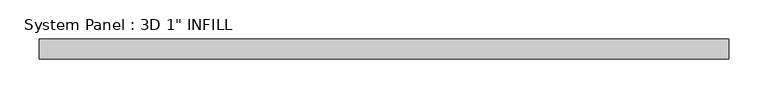
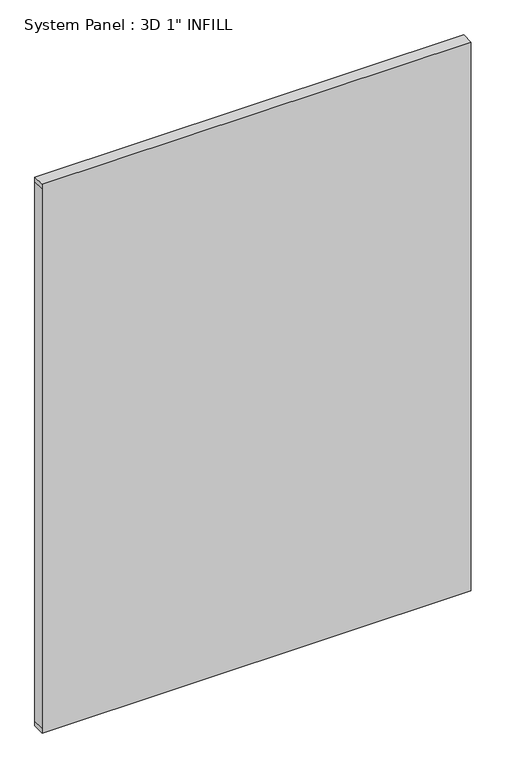
"""IFC4 building model written with IfcOpenShell, lengths in millimetres: plate geometry."""

import ifcopenshell
import ifcopenshell.guid

model = None  # the IFC model being written
_history = None  # IfcOwnerHistory: only IFC2X3 demands one
_inside = {}  # id of a spatial element -> (the spatial element, [elements in it])
_under = {}  # id of a project, library or spatial element -> (it, [spatial elements below it])
_declared = {}  # id of a project -> (the project, [libraries it declares])
_typed = {}  # id of a type object -> (the type object, [elements of that type])
_made_of = {}  # id of a material, layer set ... -> (it, [elements and type objects made of it])


def new_model(schema):
    """Start an empty IFC model of exactly this schema.

    Asked for "IFC4X3", IfcOpenShell would pick the latest addendum, in which some entities
    have other attributes; the version numbers below select the first issue.
    IFC2X3 requires an IfcOwnerHistory on every rooted entity: one is made here for all.
    """
    global model, _history
    if schema == "IFC4X3":
        model = ifcopenshell.file(schema_version=(4, 3, 0, 0))
    else:
        model = ifcopenshell.file(schema=schema)
    _inside.clear()
    _under.clear()
    _declared.clear()
    _typed.clear()
    _made_of.clear()
    _history = None
    if model.schema == "IFC2X3":
        org = make("IfcOrganization", Name="unknown")
        user = make(
            "IfcPersonAndOrganization",
            ThePerson=make("IfcPerson", FamilyName="unknown"),
            TheOrganization=org,
        )
        app = make(
            "IfcApplication",
            ApplicationDeveloper=org,
            Version="unknown",
            ApplicationFullName="unknown",
            ApplicationIdentifier="unknown",
        )
        _history = make(
            "IfcOwnerHistory",
            OwningUser=user,
            OwningApplication=app,
            ChangeAction="ADDED",
            CreationDate=0,
        )
    return model


def make(cls, **values):
    """One entity of the class cls with the attributes given. An attribute that is None is left unset."""
    return model.create_entity(
        cls, **{name: value for name, value in values.items() if value is not None}
    )


def rooted(cls, **values):
    """An entity with a GlobalId (a new one), such as an element, a storey or a relation."""
    return make(cls, GlobalId=ifcopenshell.guid.new(), OwnerHistory=_history, **values)


def si_unit(unit_type, name, prefix=None):
    """IfcSIUnit, for example si_unit("LENGTHUNIT", "METRE", prefix="MILLI")."""
    return make("IfcSIUnit", UnitType=unit_type, Prefix=prefix, Name=name)


def assignment(units):
    """IfcUnitAssignment: the units of a project."""
    return None if units is None else make("IfcUnitAssignment", Units=units)


def point(xyz):
    """IfcCartesianPoint."""
    return None if xyz is None else make("IfcCartesianPoint", Coordinates=xyz)


def direction(xyz):
    """IfcDirection."""
    return None if xyz is None else make("IfcDirection", DirectionRatios=xyz)


def frame(location, z_axis=None, x_axis=None):
    """IfcAxis2Placement3D, a coordinate frame: its origin and axes. An axis left out is left unset."""
    return make(
        "IfcAxis2Placement3D",
        Location=point(location),
        Axis=direction(z_axis),
        RefDirection=direction(x_axis),
    )


def origin():
    """The frame at (0, 0, 0) with its axes left unset."""
    return frame((0.0, 0.0, 0.0))


def place(relative_to, where):
    """IfcLocalPlacement: puts the frame where relative to a parent placement (None: the world)."""
    return make(
        "IfcLocalPlacement", PlacementRelTo=relative_to, RelativePlacement=where
    )


def context(
    kind, dimensions, precision=None, world=None, true_north=None, identifier=None
):
    """IfcGeometricRepresentationContext, for example the 3D "Model" context."""
    return make(
        "IfcGeometricRepresentationContext",
        ContextIdentifier=identifier,
        ContextType=kind,
        CoordinateSpaceDimension=dimensions,
        Precision=precision,
        WorldCoordinateSystem=world,
        TrueNorth=true_north,
    )


def project(units=None, contexts=None):
    """IfcProject with its units and contexts."""
    return rooted(
        "IfcProject",
        Name="project",
        RepresentationContexts=contexts,
        UnitsInContext=assignment(units),
    )


def spatial(cls, under=None, at=None, **own):
    """A site, building, storey or space (cls), placed at a placement, below another one or the project."""
    s = rooted(cls, ObjectPlacement=at, **own)
    if under is not None:
        _under.setdefault(under.id(), (under, []))[1].append(s)
    return s


def polyline(points):
    """IfcPolyline through the points."""
    return make("IfcPolyline", Points=[point(p) for p in points])


def outline(outer, holes=None, kind="AREA"):
    """IfcArbitraryClosedProfileDef: a profile drawn as a closed curve; with holes, ...WithVoids."""
    if holes is None:
        return make("IfcArbitraryClosedProfileDef", ProfileType=kind, OuterCurve=outer)
    return make(
        "IfcArbitraryProfileDefWithVoids",
        ProfileType=kind,
        OuterCurve=outer,
        InnerCurves=holes,
    )


def extrude(swept, where, along, depth):
    """IfcExtrudedAreaSolid: the profile swept, set in the frame where, extruded along a direction by depth."""
    return make(
        "IfcExtrudedAreaSolid",
        SweptArea=swept,
        Position=where,
        ExtrudedDirection=direction(along),
        Depth=depth,
    )


def shape(context_of_items, identifier, shape_type, items):
    """IfcShapeRepresentation: the items that make up one representation, for example the "Body"."""
    return make(
        "IfcShapeRepresentation",
        ContextOfItems=context_of_items,
        RepresentationIdentifier=identifier,
        RepresentationType=shape_type,
        Items=items,
    )


def source(mapping_origin, context_of_items, identifier, shape_type, items):
    """IfcRepresentationMap: a shape defined once, which mapped items show again and again."""
    return make(
        "IfcRepresentationMap",
        MappingOrigin=mapping_origin,
        MappedRepresentation=shape(context_of_items, identifier, shape_type, items),
    )


def transform(
    local_origin,
    x_axis=None,
    y_axis=None,
    z_axis=None,
    scale=None,
    scale2=None,
    scale3=None,
    uniform=True,
):
    """IfcCartesianTransformationOperator3D, or its non-uniform kind. x_axis, y_axis, z_axis: its Axis1, 2, 3."""
    if uniform:
        return make(
            "IfcCartesianTransformationOperator3D",
            Axis1=direction(x_axis),
            Axis2=direction(y_axis),
            LocalOrigin=point(local_origin),
            Scale=scale,
            Axis3=direction(z_axis),
        )
    return make(
        "IfcCartesianTransformationOperator3DnonUniform",
        Axis1=direction(x_axis),
        Axis2=direction(y_axis),
        LocalOrigin=point(local_origin),
        Scale=scale,
        Axis3=direction(z_axis),
        Scale2=scale2,
        Scale3=scale3,
    )


def mapped(mapping_source, mapping_target):
    """IfcMappedItem: shows the shape of a source again, moved by a transform."""
    return make(
        "IfcMappedItem", MappingSource=mapping_source, MappingTarget=mapping_target
    )


def made_of(thing, what):
    """Note that an element or type object is made of a material, layer set ...; save() writes the relation."""
    if what is not None:
        _made_of.setdefault(what.id(), (what, []))[1].append(thing)
    return thing


def element(
    cls,
    number,
    at=None,
    inside=None,
    cuts=None,
    type_object=None,
    material=None,
    context=None,
    identifier="Body",
    shape_type=None,
    held_by="IfcProductDefinitionShape",
    body=None,
    shapes=None,
    **own,
):
    """One element of the class cls, such as IfcWall. Its Tag is "e" and its number.

    at: its placement. inside: the storey or other place that contains it. cuts: it is an
    opening in that element (IfcRelVoidsElement). A single representation is given by context,
    identifier, shape_type and body (its items); several are given by shapes. held_by: the class
    of the entity that holds the representations. save() writes the other relations.
    """
    e = rooted(cls, Tag="e%d" % number, ObjectPlacement=at, **own)
    if body is not None:
        shapes = [shape(context, identifier, shape_type, body)]
    if shapes is not None:
        e.Representation = make(held_by, Representations=shapes)
    if inside is not None:
        _inside.setdefault(inside.id(), (inside, []))[1].append(e)
    if cuts is not None:
        rooted(
            "IfcRelVoidsElement", RelatingBuildingElement=cuts, RelatedOpeningElement=e
        )
    if type_object is not None:
        _typed.setdefault(type_object.id(), (type_object, []))[1].append(e)
    return made_of(e, material)


def aggregate(whole, parts):
    """IfcRelAggregates: a whole, such as a stair, and the parts it consists of."""
    return rooted("IfcRelAggregates", RelatingObject=whole, RelatedObjects=parts)


def save(model, path):
    """Write the relations noted so far, then the file.

    IfcRelAggregates (storeys below a building ...), IfcRelContainedInSpatialStructure (elements
    in a storey), IfcRelDefinesByType, IfcRelAssociatesMaterial and IfcRelDeclares: one each for
    every whole, place, type object, material and project.
    """
    for whole, parts in _under.values():
        aggregate(whole, parts)
    for where, things in _inside.values():
        rooted(
            "IfcRelContainedInSpatialStructure",
            RelatedElements=things,
            RelatingStructure=where,
        )
    for kind, things in _typed.values():
        rooted("IfcRelDefinesByType", RelatedObjects=things, RelatingType=kind)
    for what, things in _made_of.values():
        rooted("IfcRelAssociatesMaterial", RelatedObjects=things, RelatingMaterial=what)
    for by, libraries in _declared.values():
        rooted("IfcRelDeclares", RelatingContext=by, RelatedDefinitions=libraries)
    model.write(path)


def plate_d0c045f1(model_context):
    return source(origin(), model_context, "Body", "SweptSolid", [
        extrude(outline(polyline([(0.0, -439.8896428), (0.0, 439.8896428), (10.4595854, 439.8896428), (1178.8595854, 439.8896428), (1189.2656556, 439.8896428), (1189.2656556, -439.8896428), (1178.8595854, -439.8896428), (10.4595854, -439.8896428), (0.0, -439.8896428)])), frame((0.0, -12.7, 0.0), z_axis=(0.0, 1.0, 0.0), x_axis=(0.0, 0.0, 1.0)), (0.0, 0.0, 1.0), 25.4),
    ])


if __name__ == "__main__":
    model = new_model("IFC4")
    model_context = context("Model", 3, world=origin())
    ifc_project = project(units=[si_unit("LENGTHUNIT", "METRE", prefix="MILLI")], contexts=[model_context])
    site = spatial("IfcSite", under=ifc_project)
    building = spatial("IfcBuilding", under=site)
    placement = place(None, origin())
    plate_shape = plate_d0c045f1(model_context)
    element("IfcPlate", 1, ObjectType="System Panel : 3D 1\" INFILL", at=placement, inside=building, context=model_context, shape_type="MappedRepresentation", body=[
        mapped(plate_shape, transform((0.0, 0.0, 0.0), x_axis=(1.0, 0.0, 0.0), y_axis=(0.0, 1.0, 0.0), z_axis=(0.0, 0.0, 1.0))),
    ])
    save(model, "model.ifc")
